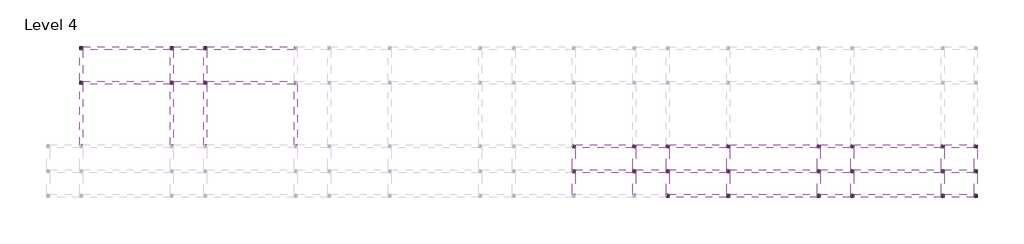
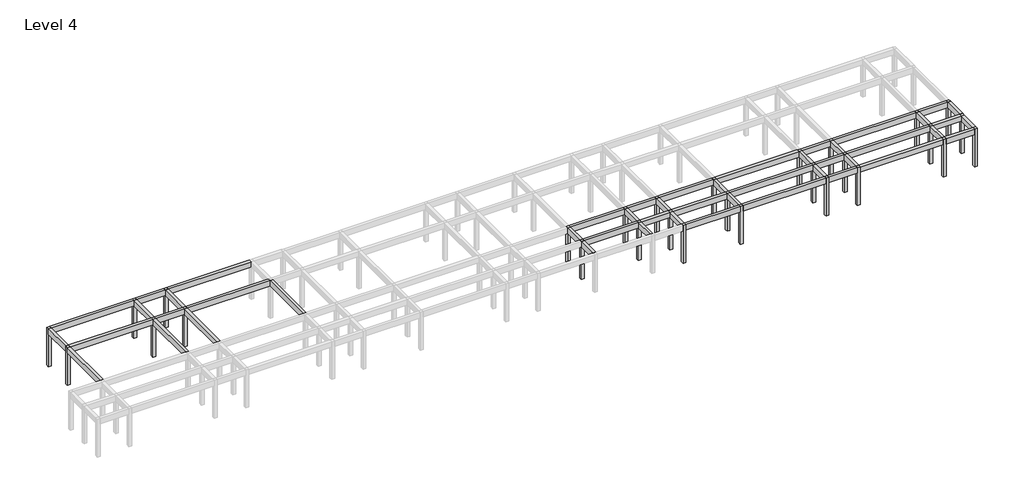
# One storey, part 2 of 3: 48 beams, 28 columns.
"""IFC4 building model written with IfcOpenShell, lengths in millimetres."""

from ifc_helpers import new_model, si_unit, frame, origin, place, context, project, spatial, polyline, outline, extrude, element, save

model = new_model("IFC4")

# Units and contexts
model_context = context("Model", 3, world=origin())
ifc_project = project(units=[si_unit("LENGTHUNIT", "METRE", prefix="MILLI")], contexts=[model_context])

# Site, building, storey
site = spatial("IfcSite", under=ifc_project)
building = spatial("IfcBuilding", under=site)
storey = spatial("IfcBuildingStorey", under=building, Name="Level 4", Elevation=12600.0)

# Beams
placement = place(None, origin())
element("IfcBeam", 1, ObjectType="M_Concrete-Rectangular Beam : 300 x 600mm", at=placement, inside=storey, context=model_context, shape_type="SweptSolid", body=[
    extrude(outline(polyline([(-17004.046467, 5874.2507663), (-16704.046467, 5874.2507663), (-16704.046467, -125.7492337), (-17004.046467, -125.7492337), (-17004.046467, 5874.2507663)])), frame((0.0, 0.0, 16200.0), z_axis=(0.0, 0.0, 1.0), x_axis=(1.0, 0.0, 0.0)), (0.0, 0.0, 1.0), 600.0),
])
element("IfcBeam", 2, ObjectType="M_Concrete-Rectangular Beam : 300 x 600mm", at=placement, inside=storey, context=model_context, shape_type="SweptSolid", body=[
    extrude(outline(polyline([(-17004.046467, 9324.2507663), (-16704.046467, 9324.2507663), (-16704.046467, 6174.2507663), (-17004.046467, 6174.2507663), (-17004.046467, 9324.2507663)])), frame((0.0, 0.0, 16200.0), z_axis=(0.0, 0.0, 1.0), x_axis=(1.0, 0.0, 0.0)), (0.0, 0.0, 1.0), 600.0),
])
element("IfcBeam", 3, ObjectType="M_Concrete-Rectangular Beam : 300 x 600mm", at=placement, inside=storey, context=model_context, shape_type="SweptSolid", body=[
    extrude(outline(polyline([(-8004.046467, 5874.2507663), (-7704.046467, 5874.2507663), (-7704.046467, -125.7492337), (-8004.046467, -125.7492337), (-8004.046467, 5874.2507663)])), frame((0.0, 0.0, 16200.0), z_axis=(0.0, 0.0, 1.0), x_axis=(1.0, 0.0, 0.0)), (0.0, 0.0, 1.0), 600.0),
])
element("IfcBeam", 4, ObjectType="M_Concrete-Rectangular Beam : 300 x 600mm", at=placement, inside=storey, context=model_context, shape_type="SweptSolid", body=[
    extrude(outline(polyline([(-8004.046467, 9324.2507663), (-7704.046467, 9324.2507663), (-7704.046467, 6174.2507663), (-8004.046467, 6174.2507663), (-8004.046467, 9324.2507663)])), frame((0.0, 0.0, 16200.0), z_axis=(0.0, 0.0, 1.0), x_axis=(1.0, 0.0, 0.0)), (0.0, 0.0, 1.0), 600.0),
])
element("IfcBeam", 5, ObjectType="M_Concrete-Rectangular Beam : 300 x 600mm", at=placement, inside=storey, context=model_context, shape_type="SweptSolid", body=[
    extrude(outline(polyline([(-4704.046467, 5874.2507663), (-4404.046467, 5874.2507663), (-4404.046467, -125.7492337), (-4704.046467, -125.7492337), (-4704.046467, 5874.2507663)])), frame((0.0, 0.0, 16200.0), z_axis=(0.0, 0.0, 1.0), x_axis=(1.0, 0.0, 0.0)), (0.0, 0.0, 1.0), 600.0),
])
element("IfcBeam", 6, ObjectType="M_Concrete-Rectangular Beam : 300 x 600mm", at=placement, inside=storey, context=model_context, shape_type="SweptSolid", body=[
    extrude(outline(polyline([(-4704.046467, 9324.2507663), (-4404.046467, 9324.2507663), (-4404.046467, 6174.2507663), (-4704.046467, 6174.2507663), (-4704.046467, 9324.2507663)])), frame((0.0, 0.0, 16200.0), z_axis=(0.0, 0.0, 1.0), x_axis=(1.0, 0.0, 0.0)), (0.0, 0.0, 1.0), 600.0),
])
element("IfcBeam", 7, ObjectType="M_Concrete-Rectangular Beam : 300 x 600mm", at=placement, inside=storey, context=model_context, shape_type="SweptSolid", body=[
    extrude(outline(polyline([(4295.953533, 5874.2507663), (4595.953533, 5874.2507663), (4595.953533, -125.7492337), (4295.953533, -125.7492337), (4295.953533, 5874.2507663)])), frame((0.0, 0.0, 16200.0), z_axis=(0.0, 0.0, 1.0), x_axis=(1.0, 0.0, 0.0)), (0.0, 0.0, 1.0), 600.0),
])
element("IfcBeam", 8, ObjectType="M_Concrete-Rectangular Beam : 300 x 600mm", at=placement, inside=storey, context=model_context, shape_type="SweptSolid", body=[
    extrude(outline(polyline([(31895.953533, -2925.7492337), (32195.953533, -2925.7492337), (32195.953533, -5025.7492337), (31895.953533, -5025.7492337), (31895.953533, -2925.7492337)])), frame((0.0, 0.0, 16200.0), z_axis=(0.0, 0.0, 1.0), x_axis=(1.0, 0.0, 0.0)), (0.0, 0.0, 1.0), 600.0),
])
element("IfcBeam", 9, ObjectType="M_Concrete-Rectangular Beam : 300 x 600mm", at=placement, inside=storey, context=model_context, shape_type="SweptSolid", body=[
    extrude(outline(polyline([(31895.953533, -425.7492337), (32195.953533, -425.7492337), (32195.953533, -2625.7492337), (31895.953533, -2625.7492337), (31895.953533, -425.7492337)])), frame((0.0, 0.0, 16200.0), z_axis=(0.0, 0.0, 1.0), x_axis=(1.0, 0.0, 0.0)), (0.0, 0.0, 1.0), 600.0),
])
element("IfcBeam", 10, ObjectType="M_Concrete-Rectangular Beam : 300 x 600mm", at=placement, inside=storey, context=model_context, shape_type="SweptSolid", body=[
    extrude(outline(polyline([(37895.953533, -2925.7492337), (38195.953533, -2925.7492337), (38195.953533, -5025.7492337), (37895.953533, -5025.7492337), (37895.953533, -2925.7492337)])), frame((0.0, 0.0, 16200.0), z_axis=(0.0, 0.0, 1.0), x_axis=(1.0, 0.0, 0.0)), (0.0, 0.0, 1.0), 600.0),
])
element("IfcBeam", 11, ObjectType="M_Concrete-Rectangular Beam : 300 x 600mm", at=placement, inside=storey, context=model_context, shape_type="SweptSolid", body=[
    extrude(outline(polyline([(37895.953533, -425.7492337), (38195.953533, -425.7492337), (38195.953533, -2625.7492337), (37895.953533, -2625.7492337), (37895.953533, -425.7492337)])), frame((0.0, 0.0, 16200.0), z_axis=(0.0, 0.0, 1.0), x_axis=(1.0, 0.0, 0.0)), (0.0, 0.0, 1.0), 600.0),
])
element("IfcBeam", 12, ObjectType="M_Concrete-Rectangular Beam : 300 x 600mm", at=placement, inside=storey, context=model_context, shape_type="SweptSolid", body=[
    extrude(outline(polyline([(41195.953533, -2925.7492337), (41495.953533, -2925.7492337), (41495.953533, -5025.7492337), (41195.953533, -5025.7492337), (41195.953533, -2925.7492337)])), frame((0.0, 0.0, 16200.0), z_axis=(0.0, 0.0, 1.0), x_axis=(1.0, 0.0, 0.0)), (0.0, 0.0, 1.0), 600.0),
])
element("IfcBeam", 13, ObjectType="M_Concrete-Rectangular Beam : 300 x 600mm", at=placement, inside=storey, context=model_context, shape_type="SweptSolid", body=[
    extrude(outline(polyline([(41195.953533, -425.7492337), (41495.953533, -425.7492337), (41495.953533, -2625.7492337), (41195.953533, -2625.7492337), (41195.953533, -425.7492337)])), frame((0.0, 0.0, 16200.0), z_axis=(0.0, 0.0, 1.0), x_axis=(1.0, 0.0, 0.0)), (0.0, 0.0, 1.0), 600.0),
])
element("IfcBeam", 14, ObjectType="M_Concrete-Rectangular Beam : 300 x 600mm", at=placement, inside=storey, context=model_context, shape_type="SweptSolid", body=[
    extrude(outline(polyline([(47195.953533, -2925.7492337), (47495.953533, -2925.7492337), (47495.953533, -5025.7492337), (47195.953533, -5025.7492337), (47195.953533, -2925.7492337)])), frame((0.0, 0.0, 16200.0), z_axis=(0.0, 0.0, 1.0), x_axis=(1.0, 0.0, 0.0)), (0.0, 0.0, 1.0), 600.0),
])
element("IfcBeam", 15, ObjectType="M_Concrete-Rectangular Beam : 300 x 600mm", at=placement, inside=storey, context=model_context, shape_type="SweptSolid", body=[
    extrude(outline(polyline([(47195.953533, -425.7492337), (47495.953533, -425.7492337), (47495.953533, -2625.7492337), (47195.953533, -2625.7492337), (47195.953533, -425.7492337)])), frame((0.0, 0.0, 16200.0), z_axis=(0.0, 0.0, 1.0), x_axis=(1.0, 0.0, 0.0)), (0.0, 0.0, 1.0), 600.0),
])
element("IfcBeam", 16, ObjectType="M_Concrete-Rectangular Beam : 300 x 600mm", at=placement, inside=storey, context=model_context, shape_type="SweptSolid", body=[
    extrude(outline(polyline([(56195.953533, -2925.7492337), (56495.953533, -2925.7492337), (56495.953533, -5025.7492337), (56195.953533, -5025.7492337), (56195.953533, -2925.7492337)])), frame((0.0, 0.0, 16200.0), z_axis=(0.0, 0.0, 1.0), x_axis=(1.0, 0.0, 0.0)), (0.0, 0.0, 1.0), 600.0),
])
element("IfcBeam", 17, ObjectType="M_Concrete-Rectangular Beam : 300 x 600mm", at=placement, inside=storey, context=model_context, shape_type="SweptSolid", body=[
    extrude(outline(polyline([(56195.953533, -425.7492337), (56495.953533, -425.7492337), (56495.953533, -2625.7492337), (56195.953533, -2625.7492337), (56195.953533, -425.7492337)])), frame((0.0, 0.0, 16200.0), z_axis=(0.0, 0.0, 1.0), x_axis=(1.0, 0.0, 0.0)), (0.0, 0.0, 1.0), 600.0),
])
element("IfcBeam", 18, ObjectType="M_Concrete-Rectangular Beam : 300 x 600mm", at=placement, inside=storey, context=model_context, shape_type="SweptSolid", body=[
    extrude(outline(polyline([(59495.953533, -2925.7492337), (59795.953533, -2925.7492337), (59795.953533, -5025.7492337), (59495.953533, -5025.7492337), (59495.953533, -2925.7492337)])), frame((0.0, 0.0, 16200.0), z_axis=(0.0, 0.0, 1.0), x_axis=(1.0, 0.0, 0.0)), (0.0, 0.0, 1.0), 600.0),
])
element("IfcBeam", 19, ObjectType="M_Concrete-Rectangular Beam : 300 x 600mm", at=placement, inside=storey, context=model_context, shape_type="SweptSolid", body=[
    extrude(outline(polyline([(59495.953533, -425.7492337), (59795.953533, -425.7492337), (59795.953533, -2625.7492337), (59495.953533, -2625.7492337), (59495.953533, -425.7492337)])), frame((0.0, 0.0, 16200.0), z_axis=(0.0, 0.0, 1.0), x_axis=(1.0, 0.0, 0.0)), (0.0, 0.0, 1.0), 600.0),
])
element("IfcBeam", 20, ObjectType="M_Concrete-Rectangular Beam : 300 x 600mm", at=placement, inside=storey, context=model_context, shape_type="SweptSolid", body=[
    extrude(outline(polyline([(68495.953533, -2925.7492337), (68795.953533, -2925.7492337), (68795.953533, -5025.7492337), (68495.953533, -5025.7492337), (68495.953533, -2925.7492337)])), frame((0.0, 0.0, 16200.0), z_axis=(0.0, 0.0, 1.0), x_axis=(1.0, 0.0, 0.0)), (0.0, 0.0, 1.0), 600.0),
])
element("IfcBeam", 21, ObjectType="M_Concrete-Rectangular Beam : 300 x 600mm", at=placement, inside=storey, context=model_context, shape_type="SweptSolid", body=[
    extrude(outline(polyline([(68495.953533, -425.7492337), (68795.953533, -425.7492337), (68795.953533, -2625.7492337), (68495.953533, -2625.7492337), (68495.953533, -425.7492337)])), frame((0.0, 0.0, 16200.0), z_axis=(0.0, 0.0, 1.0), x_axis=(1.0, 0.0, 0.0)), (0.0, 0.0, 1.0), 600.0),
])
element("IfcBeam", 22, ObjectType="M_Concrete-Rectangular Beam : 300 x 600mm", at=placement, inside=storey, context=model_context, shape_type="SweptSolid", body=[
    extrude(outline(polyline([(71795.953533, -2925.7492337), (72095.953533, -2925.7492337), (72095.953533, -5025.7492337), (71795.953533, -5025.7492337), (71795.953533, -2925.7492337)])), frame((0.0, 0.0, 16200.0), z_axis=(0.0, 0.0, 1.0), x_axis=(1.0, 0.0, 0.0)), (0.0, 0.0, 1.0), 600.0),
])
element("IfcBeam", 23, ObjectType="M_Concrete-Rectangular Beam : 300 x 600mm", at=placement, inside=storey, context=model_context, shape_type="SweptSolid", body=[
    extrude(outline(polyline([(71795.953533, -425.7492337), (72095.953533, -425.7492337), (72095.953533, -2625.7492337), (71795.953533, -2625.7492337), (71795.953533, -425.7492337)])), frame((0.0, 0.0, 16200.0), z_axis=(0.0, 0.0, 1.0), x_axis=(1.0, 0.0, 0.0)), (0.0, 0.0, 1.0), 600.0),
])
element("IfcBeam", 24, ObjectType="M_Concrete-Rectangular Beam : 300 x 600mm", at=placement, inside=storey, context=model_context, shape_type="SweptSolid", body=[
    extrude(outline(polyline([(-16704.046467, 9324.2507663), (-16704.046467, 9624.2507663), (-8004.046467, 9624.2507663), (-8004.046467, 9324.2507663), (-16704.046467, 9324.2507663)])), frame((0.0, 0.0, 16200.0), z_axis=(0.0, 0.0, 1.0), x_axis=(1.0, 0.0, 0.0)), (0.0, 0.0, 1.0), 600.0),
])
element("IfcBeam", 25, ObjectType="M_Concrete-Rectangular Beam : 300 x 600mm", at=placement, inside=storey, context=model_context, shape_type="SweptSolid", body=[
    extrude(outline(polyline([(-7704.046467, 9324.2507663), (-7704.046467, 9624.2507663), (-4704.046467, 9624.2507663), (-4704.046467, 9324.2507663), (-7704.046467, 9324.2507663)])), frame((0.0, 0.0, 16200.0), z_axis=(0.0, 0.0, 1.0), x_axis=(1.0, 0.0, 0.0)), (0.0, 0.0, 1.0), 600.0),
])
element("IfcBeam", 26, ObjectType="M_Concrete-Rectangular Beam : 300 x 600mm", at=placement, inside=storey, context=model_context, shape_type="SweptSolid", body=[
    extrude(outline(polyline([(-4404.046467, 9324.2507663), (-4404.046467, 9624.2507663), (4295.953533, 9624.2507663), (4295.953533, 9324.2507663), (-4404.046467, 9324.2507663)])), frame((0.0, 0.0, 16200.0), z_axis=(0.0, 0.0, 1.0), x_axis=(1.0, 0.0, 0.0)), (0.0, 0.0, 1.0), 600.0),
])
element("IfcBeam", 27, ObjectType="M_Concrete-Rectangular Beam : 300 x 600mm", at=placement, inside=storey, context=model_context, shape_type="SweptSolid", body=[
    extrude(outline(polyline([(-16704.046467, 5874.2507663), (-16704.046467, 6174.2507663), (-8004.046467, 6174.2507663), (-8004.046467, 5874.2507663), (-16704.046467, 5874.2507663)])), frame((0.0, 0.0, 16200.0), z_axis=(0.0, 0.0, 1.0), x_axis=(1.0, 0.0, 0.0)), (0.0, 0.0, 1.0), 600.0),
])
element("IfcBeam", 28, ObjectType="M_Concrete-Rectangular Beam : 300 x 600mm", at=placement, inside=storey, context=model_context, shape_type="SweptSolid", body=[
    extrude(outline(polyline([(-7704.046467, 5874.2507663), (-7704.046467, 6174.2507663), (-4704.046467, 6174.2507663), (-4704.046467, 5874.2507663), (-7704.046467, 5874.2507663)])), frame((0.0, 0.0, 16200.0), z_axis=(0.0, 0.0, 1.0), x_axis=(1.0, 0.0, 0.0)), (0.0, 0.0, 1.0), 600.0),
])
element("IfcBeam", 29, ObjectType="M_Concrete-Rectangular Beam : 300 x 600mm", at=placement, inside=storey, context=model_context, shape_type="SweptSolid", body=[
    extrude(outline(polyline([(-4404.046467, 5874.2507663), (-4404.046467, 6174.2507663), (4295.953533, 6174.2507663), (4295.953533, 5874.2507663), (-4404.046467, 5874.2507663)])), frame((0.0, 0.0, 16200.0), z_axis=(0.0, 0.0, 1.0), x_axis=(1.0, 0.0, 0.0)), (0.0, 0.0, 1.0), 600.0),
])
element("IfcBeam", 30, ObjectType="M_Concrete-Rectangular Beam : 300 x 600mm", at=placement, inside=storey, context=model_context, shape_type="SweptSolid", body=[
    extrude(outline(polyline([(32195.953533, -425.7492337), (32195.953533, -125.7492337), (37895.953533, -125.7492337), (37895.953533, -425.7492337), (32195.953533, -425.7492337)])), frame((0.0, 0.0, 16200.0), z_axis=(0.0, 0.0, 1.0), x_axis=(1.0, 0.0, 0.0)), (0.0, 0.0, 1.0), 600.0),
])
element("IfcBeam", 31, ObjectType="M_Concrete-Rectangular Beam : 300 x 600mm", at=placement, inside=storey, context=model_context, shape_type="SweptSolid", body=[
    extrude(outline(polyline([(38195.953533, -425.7492337), (38195.953533, -125.7492337), (41195.953533, -125.7492337), (41195.953533, -425.7492337), (38195.953533, -425.7492337)])), frame((0.0, 0.0, 16200.0), z_axis=(0.0, 0.0, 1.0), x_axis=(1.0, 0.0, 0.0)), (0.0, 0.0, 1.0), 600.0),
])
element("IfcBeam", 32, ObjectType="M_Concrete-Rectangular Beam : 300 x 600mm", at=placement, inside=storey, context=model_context, shape_type="SweptSolid", body=[
    extrude(outline(polyline([(41495.953533, -425.7492337), (41495.953533, -125.7492337), (47195.953533, -125.7492337), (47195.953533, -425.7492337), (41495.953533, -425.7492337)])), frame((0.0, 0.0, 16200.0), z_axis=(0.0, 0.0, 1.0), x_axis=(1.0, 0.0, 0.0)), (0.0, 0.0, 1.0), 600.0),
])
element("IfcBeam", 33, ObjectType="M_Concrete-Rectangular Beam : 300 x 600mm", at=placement, inside=storey, context=model_context, shape_type="SweptSolid", body=[
    extrude(outline(polyline([(47495.953533, -425.7492337), (47495.953533, -125.7492337), (56195.953533, -125.7492337), (56195.953533, -425.7492337), (47495.953533, -425.7492337)])), frame((0.0, 0.0, 16200.0), z_axis=(0.0, 0.0, 1.0), x_axis=(1.0, 0.0, 0.0)), (0.0, 0.0, 1.0), 600.0),
])
element("IfcBeam", 34, ObjectType="M_Concrete-Rectangular Beam : 300 x 600mm", at=placement, inside=storey, context=model_context, shape_type="SweptSolid", body=[
    extrude(outline(polyline([(56495.953533, -425.7492337), (56495.953533, -125.7492337), (59495.953533, -125.7492337), (59495.953533, -425.7492337), (56495.953533, -425.7492337)])), frame((0.0, 0.0, 16200.0), z_axis=(0.0, 0.0, 1.0), x_axis=(1.0, 0.0, 0.0)), (0.0, 0.0, 1.0), 600.0),
])
element("IfcBeam", 35, ObjectType="M_Concrete-Rectangular Beam : 300 x 600mm", at=placement, inside=storey, context=model_context, shape_type="SweptSolid", body=[
    extrude(outline(polyline([(59795.953533, -425.7492337), (59795.953533, -125.7492337), (68495.953533, -125.7492337), (68495.953533, -425.7492337), (59795.953533, -425.7492337)])), frame((0.0, 0.0, 16200.0), z_axis=(0.0, 0.0, 1.0), x_axis=(1.0, 0.0, 0.0)), (0.0, 0.0, 1.0), 600.0),
])
element("IfcBeam", 36, ObjectType="M_Concrete-Rectangular Beam : 300 x 600mm", at=placement, inside=storey, context=model_context, shape_type="SweptSolid", body=[
    extrude(outline(polyline([(68795.953533, -425.7492337), (68795.953533, -125.7492337), (71795.953533, -125.7492337), (71795.953533, -425.7492337), (68795.953533, -425.7492337)])), frame((0.0, 0.0, 16200.0), z_axis=(0.0, 0.0, 1.0), x_axis=(1.0, 0.0, 0.0)), (0.0, 0.0, 1.0), 600.0),
])
element("IfcBeam", 37, ObjectType="M_Concrete-Rectangular Beam : 300 x 600mm", at=placement, inside=storey, context=model_context, shape_type="SweptSolid", body=[
    extrude(outline(polyline([(32195.953533, -2925.7492337), (32195.953533, -2625.7492337), (37895.953533, -2625.7492337), (37895.953533, -2925.7492337), (32195.953533, -2925.7492337)])), frame((0.0, 0.0, 16200.0), z_axis=(0.0, 0.0, 1.0), x_axis=(1.0, 0.0, 0.0)), (0.0, 0.0, 1.0), 600.0),
])
element("IfcBeam", 38, ObjectType="M_Concrete-Rectangular Beam : 300 x 600mm", at=placement, inside=storey, context=model_context, shape_type="SweptSolid", body=[
    extrude(outline(polyline([(38195.953533, -2925.7492337), (38195.953533, -2625.7492337), (41195.953533, -2625.7492337), (41195.953533, -2925.7492337), (38195.953533, -2925.7492337)])), frame((0.0, 0.0, 16200.0), z_axis=(0.0, 0.0, 1.0), x_axis=(1.0, 0.0, 0.0)), (0.0, 0.0, 1.0), 600.0),
])
element("IfcBeam", 39, ObjectType="M_Concrete-Rectangular Beam : 300 x 600mm", at=placement, inside=storey, context=model_context, shape_type="SweptSolid", body=[
    extrude(outline(polyline([(41495.953533, -2925.7492337), (41495.953533, -2625.7492337), (47195.953533, -2625.7492337), (47195.953533, -2925.7492337), (41495.953533, -2925.7492337)])), frame((0.0, 0.0, 16200.0), z_axis=(0.0, 0.0, 1.0), x_axis=(1.0, 0.0, 0.0)), (0.0, 0.0, 1.0), 600.0),
])
element("IfcBeam", 40, ObjectType="M_Concrete-Rectangular Beam : 300 x 600mm", at=placement, inside=storey, context=model_context, shape_type="SweptSolid", body=[
    extrude(outline(polyline([(47495.953533, -2925.7492337), (47495.953533, -2625.7492337), (56195.953533, -2625.7492337), (56195.953533, -2925.7492337), (47495.953533, -2925.7492337)])), frame((0.0, 0.0, 16200.0), z_axis=(0.0, 0.0, 1.0), x_axis=(1.0, 0.0, 0.0)), (0.0, 0.0, 1.0), 600.0),
])
element("IfcBeam", 41, ObjectType="M_Concrete-Rectangular Beam : 300 x 600mm", at=placement, inside=storey, context=model_context, shape_type="SweptSolid", body=[
    extrude(outline(polyline([(56495.953533, -2925.7492337), (56495.953533, -2625.7492337), (59495.953533, -2625.7492337), (59495.953533, -2925.7492337), (56495.953533, -2925.7492337)])), frame((0.0, 0.0, 16200.0), z_axis=(0.0, 0.0, 1.0), x_axis=(1.0, 0.0, 0.0)), (0.0, 0.0, 1.0), 600.0),
])
element("IfcBeam", 42, ObjectType="M_Concrete-Rectangular Beam : 300 x 600mm", at=placement, inside=storey, context=model_context, shape_type="SweptSolid", body=[
    extrude(outline(polyline([(59795.953533, -2925.7492337), (59795.953533, -2625.7492337), (68495.953533, -2625.7492337), (68495.953533, -2925.7492337), (59795.953533, -2925.7492337)])), frame((0.0, 0.0, 16200.0), z_axis=(0.0, 0.0, 1.0), x_axis=(1.0, 0.0, 0.0)), (0.0, 0.0, 1.0), 600.0),
])
element("IfcBeam", 43, ObjectType="M_Concrete-Rectangular Beam : 300 x 600mm", at=placement, inside=storey, context=model_context, shape_type="SweptSolid", body=[
    extrude(outline(polyline([(68795.953533, -2925.7492337), (68795.953533, -2625.7492337), (71795.953533, -2625.7492337), (71795.953533, -2925.7492337), (68795.953533, -2925.7492337)])), frame((0.0, 0.0, 16200.0), z_axis=(0.0, 0.0, 1.0), x_axis=(1.0, 0.0, 0.0)), (0.0, 0.0, 1.0), 600.0),
])
element("IfcBeam", 44, ObjectType="M_Concrete-Rectangular Beam : 300 x 600mm", at=placement, inside=storey, context=model_context, shape_type="SweptSolid", body=[
    extrude(outline(polyline([(41495.953533, -5325.7492337), (41495.953533, -5025.7492337), (47195.953533, -5025.7492337), (47195.953533, -5325.7492337), (41495.953533, -5325.7492337)])), frame((0.0, 0.0, 16200.0), z_axis=(0.0, 0.0, 1.0), x_axis=(1.0, 0.0, 0.0)), (0.0, 0.0, 1.0), 600.0),
])
element("IfcBeam", 45, ObjectType="M_Concrete-Rectangular Beam : 300 x 600mm", at=placement, inside=storey, context=model_context, shape_type="SweptSolid", body=[
    extrude(outline(polyline([(47495.953533, -5325.7492337), (47495.953533, -5025.7492337), (56195.953533, -5025.7492337), (56195.953533, -5325.7492337), (47495.953533, -5325.7492337)])), frame((0.0, 0.0, 16200.0), z_axis=(0.0, 0.0, 1.0), x_axis=(1.0, 0.0, 0.0)), (0.0, 0.0, 1.0), 600.0),
])
element("IfcBeam", 46, ObjectType="M_Concrete-Rectangular Beam : 300 x 600mm", at=placement, inside=storey, context=model_context, shape_type="SweptSolid", body=[
    extrude(outline(polyline([(56495.953533, -5325.7492337), (56495.953533, -5025.7492337), (59495.953533, -5025.7492337), (59495.953533, -5325.7492337), (56495.953533, -5325.7492337)])), frame((0.0, 0.0, 16200.0), z_axis=(0.0, 0.0, 1.0), x_axis=(1.0, 0.0, 0.0)), (0.0, 0.0, 1.0), 600.0),
])
element("IfcBeam", 47, ObjectType="M_Concrete-Rectangular Beam : 300 x 600mm", at=placement, inside=storey, context=model_context, shape_type="SweptSolid", body=[
    extrude(outline(polyline([(59795.953533, -5325.7492337), (59795.953533, -5025.7492337), (68495.953533, -5025.7492337), (68495.953533, -5325.7492337), (59795.953533, -5325.7492337)])), frame((0.0, 0.0, 16200.0), z_axis=(0.0, 0.0, 1.0), x_axis=(1.0, 0.0, 0.0)), (0.0, 0.0, 1.0), 600.0),
])
element("IfcBeam", 48, ObjectType="M_Concrete-Rectangular Beam : 300 x 600mm", at=placement, inside=storey, context=model_context, shape_type="SweptSolid", body=[
    extrude(outline(polyline([(68795.953533, -5325.7492337), (68795.953533, -5025.7492337), (71795.953533, -5025.7492337), (71795.953533, -5325.7492337), (68795.953533, -5325.7492337)])), frame((0.0, 0.0, 16200.0), z_axis=(0.0, 0.0, 1.0), x_axis=(1.0, 0.0, 0.0)), (0.0, 0.0, 1.0), 600.0),
])

# Columns
element("IfcColumn", 49, ObjectType="M_Concrete-Square-Column : 300 x 300mm", at=placement, inside=storey, context=model_context, shape_type="SweptSolid", body=[
    extrude(outline(polyline([(-16704.046467, 9624.2507663), (-16704.046467, 9324.2507663), (-17004.046467, 9324.2507663), (-17004.046467, 9624.2507663), (-16704.046467, 9624.2507663)])), frame((0.0, 0.0, 12600.0), z_axis=(0.0, 0.0, 1.0), x_axis=(1.0, 0.0, 0.0)), (0.0, 0.0, 1.0), 4200.0),
])
element("IfcColumn", 50, ObjectType="M_Concrete-Square-Column : 300 x 300mm", at=placement, inside=storey, context=model_context, shape_type="SweptSolid", body=[
    extrude(outline(polyline([(-16704.046467, 6174.2507663), (-16704.046467, 5874.2507663), (-17004.046467, 5874.2507663), (-17004.046467, 6174.2507663), (-16704.046467, 6174.2507663)])), frame((0.0, 0.0, 12600.0), z_axis=(0.0, 0.0, 1.0), x_axis=(1.0, 0.0, 0.0)), (0.0, 0.0, 1.0), 4200.0),
])
element("IfcColumn", 51, ObjectType="M_Concrete-Square-Column : 300 x 300mm", at=placement, inside=storey, context=model_context, shape_type="SweptSolid", body=[
    extrude(outline(polyline([(-7704.046467, 9624.2507663), (-7704.046467, 9324.2507663), (-8004.046467, 9324.2507663), (-8004.046467, 9624.2507663), (-7704.046467, 9624.2507663)])), frame((0.0, 0.0, 12600.0), z_axis=(0.0, 0.0, 1.0), x_axis=(1.0, 0.0, 0.0)), (0.0, 0.0, 1.0), 4200.0),
])
element("IfcColumn", 52, ObjectType="M_Concrete-Square-Column : 300 x 300mm", at=placement, inside=storey, context=model_context, shape_type="SweptSolid", body=[
    extrude(outline(polyline([(-7704.046467, 6174.2507663), (-7704.046467, 5874.2507663), (-8004.046467, 5874.2507663), (-8004.046467, 6174.2507663), (-7704.046467, 6174.2507663)])), frame((0.0, 0.0, 12600.0), z_axis=(0.0, 0.0, 1.0), x_axis=(1.0, 0.0, 0.0)), (0.0, 0.0, 1.0), 4200.0),
])
element("IfcColumn", 53, ObjectType="M_Concrete-Square-Column : 300 x 300mm", at=placement, inside=storey, context=model_context, shape_type="SweptSolid", body=[
    extrude(outline(polyline([(-4404.046467, 9624.2507663), (-4404.046467, 9324.2507663), (-4704.046467, 9324.2507663), (-4704.046467, 9624.2507663), (-4404.046467, 9624.2507663)])), frame((0.0, 0.0, 12600.0), z_axis=(0.0, 0.0, 1.0), x_axis=(1.0, 0.0, 0.0)), (0.0, 0.0, 1.0), 4200.0),
])
element("IfcColumn", 54, ObjectType="M_Concrete-Square-Column : 300 x 300mm", at=placement, inside=storey, context=model_context, shape_type="SweptSolid", body=[
    extrude(outline(polyline([(-4404.046467, 6174.2507663), (-4404.046467, 5874.2507663), (-4704.046467, 5874.2507663), (-4704.046467, 6174.2507663), (-4404.046467, 6174.2507663)])), frame((0.0, 0.0, 12600.0), z_axis=(0.0, 0.0, 1.0), x_axis=(1.0, 0.0, 0.0)), (0.0, 0.0, 1.0), 4200.0),
])
element("IfcColumn", 55, ObjectType="M_Concrete-Square-Column : 300 x 300mm", at=placement, inside=storey, context=model_context, shape_type="SweptSolid", body=[
    extrude(outline(polyline([(32195.953533, -125.7492337), (32195.953533, -425.7492337), (31895.953533, -425.7492337), (31895.953533, -125.7492337), (32195.953533, -125.7492337)])), frame((0.0, 0.0, 12600.0), z_axis=(0.0, 0.0, 1.0), x_axis=(1.0, 0.0, 0.0)), (0.0, 0.0, 1.0), 4200.0),
])
element("IfcColumn", 56, ObjectType="M_Concrete-Square-Column : 300 x 300mm", at=placement, inside=storey, context=model_context, shape_type="SweptSolid", body=[
    extrude(outline(polyline([(32195.953533, -2625.7492337), (32195.953533, -2925.7492337), (31895.953533, -2925.7492337), (31895.953533, -2625.7492337), (32195.953533, -2625.7492337)])), frame((0.0, 0.0, 12600.0), z_axis=(0.0, 0.0, 1.0), x_axis=(1.0, 0.0, 0.0)), (0.0, 0.0, 1.0), 4200.0),
])
element("IfcColumn", 57, ObjectType="M_Concrete-Square-Column : 300 x 300mm", at=placement, inside=storey, context=model_context, shape_type="SweptSolid", body=[
    extrude(outline(polyline([(38195.953533, -125.7492337), (38195.953533, -425.7492337), (37895.953533, -425.7492337), (37895.953533, -125.7492337), (38195.953533, -125.7492337)])), frame((0.0, 0.0, 12600.0), z_axis=(0.0, 0.0, 1.0), x_axis=(1.0, 0.0, 0.0)), (0.0, 0.0, 1.0), 4200.0),
])
element("IfcColumn", 58, ObjectType="M_Concrete-Square-Column : 300 x 300mm", at=placement, inside=storey, context=model_context, shape_type="SweptSolid", body=[
    extrude(outline(polyline([(38195.953533, -2625.7492337), (38195.953533, -2925.7492337), (37895.953533, -2925.7492337), (37895.953533, -2625.7492337), (38195.953533, -2625.7492337)])), frame((0.0, 0.0, 12600.0), z_axis=(0.0, 0.0, 1.0), x_axis=(1.0, 0.0, 0.0)), (0.0, 0.0, 1.0), 4200.0),
])
element("IfcColumn", 59, ObjectType="M_Concrete-Square-Column : 300 x 300mm", at=placement, inside=storey, context=model_context, shape_type="SweptSolid", body=[
    extrude(outline(polyline([(41495.953533, -125.7492337), (41495.953533, -425.7492337), (41195.953533, -425.7492337), (41195.953533, -125.7492337), (41495.953533, -125.7492337)])), frame((0.0, 0.0, 12600.0), z_axis=(0.0, 0.0, 1.0), x_axis=(1.0, 0.0, 0.0)), (0.0, 0.0, 1.0), 4200.0),
])
element("IfcColumn", 60, ObjectType="M_Concrete-Square-Column : 300 x 300mm", at=placement, inside=storey, context=model_context, shape_type="SweptSolid", body=[
    extrude(outline(polyline([(41495.953533, -2625.7492337), (41495.953533, -2925.7492337), (41195.953533, -2925.7492337), (41195.953533, -2625.7492337), (41495.953533, -2625.7492337)])), frame((0.0, 0.0, 12600.0), z_axis=(0.0, 0.0, 1.0), x_axis=(1.0, 0.0, 0.0)), (0.0, 0.0, 1.0), 4200.0),
])
element("IfcColumn", 61, ObjectType="M_Concrete-Square-Column : 300 x 300mm", at=placement, inside=storey, context=model_context, shape_type="SweptSolid", body=[
    extrude(outline(polyline([(41495.953533, -5025.7492337), (41495.953533, -5325.7492337), (41195.953533, -5325.7492337), (41195.953533, -5025.7492337), (41495.953533, -5025.7492337)])), frame((0.0, 0.0, 12600.0), z_axis=(0.0, 0.0, 1.0), x_axis=(1.0, 0.0, 0.0)), (0.0, 0.0, 1.0), 4200.0),
])
element("IfcColumn", 62, ObjectType="M_Concrete-Square-Column : 300 x 300mm", at=placement, inside=storey, context=model_context, shape_type="SweptSolid", body=[
    extrude(outline(polyline([(47495.953533, -125.7492337), (47495.953533, -425.7492337), (47195.953533, -425.7492337), (47195.953533, -125.7492337), (47495.953533, -125.7492337)])), frame((0.0, 0.0, 12600.0), z_axis=(0.0, 0.0, 1.0), x_axis=(1.0, 0.0, 0.0)), (0.0, 0.0, 1.0), 4200.0),
])
element("IfcColumn", 63, ObjectType="M_Concrete-Square-Column : 300 x 300mm", at=placement, inside=storey, context=model_context, shape_type="SweptSolid", body=[
    extrude(outline(polyline([(47495.953533, -2625.7492337), (47495.953533, -2925.7492337), (47195.953533, -2925.7492337), (47195.953533, -2625.7492337), (47495.953533, -2625.7492337)])), frame((0.0, 0.0, 12600.0), z_axis=(0.0, 0.0, 1.0), x_axis=(1.0, 0.0, 0.0)), (0.0, 0.0, 1.0), 4200.0),
])
element("IfcColumn", 64, ObjectType="M_Concrete-Square-Column : 300 x 300mm", at=placement, inside=storey, context=model_context, shape_type="SweptSolid", body=[
    extrude(outline(polyline([(47495.953533, -5025.7492337), (47495.953533, -5325.7492337), (47195.953533, -5325.7492337), (47195.953533, -5025.7492337), (47495.953533, -5025.7492337)])), frame((0.0, 0.0, 12600.0), z_axis=(0.0, 0.0, 1.0), x_axis=(1.0, 0.0, 0.0)), (0.0, 0.0, 1.0), 4200.0),
])
element("IfcColumn", 65, ObjectType="M_Concrete-Square-Column : 300 x 300mm", at=placement, inside=storey, context=model_context, shape_type="SweptSolid", body=[
    extrude(outline(polyline([(56495.953533, -125.7492337), (56495.953533, -425.7492337), (56195.953533, -425.7492337), (56195.953533, -125.7492337), (56495.953533, -125.7492337)])), frame((0.0, 0.0, 12600.0), z_axis=(0.0, 0.0, 1.0), x_axis=(1.0, 0.0, 0.0)), (0.0, 0.0, 1.0), 4200.0),
])
element("IfcColumn", 66, ObjectType="M_Concrete-Square-Column : 300 x 300mm", at=placement, inside=storey, context=model_context, shape_type="SweptSolid", body=[
    extrude(outline(polyline([(56495.953533, -2625.7492337), (56495.953533, -2925.7492337), (56195.953533, -2925.7492337), (56195.953533, -2625.7492337), (56495.953533, -2625.7492337)])), frame((0.0, 0.0, 12600.0), z_axis=(0.0, 0.0, 1.0), x_axis=(1.0, 0.0, 0.0)), (0.0, 0.0, 1.0), 4200.0),
])
element("IfcColumn", 67, ObjectType="M_Concrete-Square-Column : 300 x 300mm", at=placement, inside=storey, context=model_context, shape_type="SweptSolid", body=[
    extrude(outline(polyline([(56495.953533, -5025.7492337), (56495.953533, -5325.7492337), (56195.953533, -5325.7492337), (56195.953533, -5025.7492337), (56495.953533, -5025.7492337)])), frame((0.0, 0.0, 12600.0), z_axis=(0.0, 0.0, 1.0), x_axis=(1.0, 0.0, 0.0)), (0.0, 0.0, 1.0), 4200.0),
])
element("IfcColumn", 68, ObjectType="M_Concrete-Square-Column : 300 x 300mm", at=placement, inside=storey, context=model_context, shape_type="SweptSolid", body=[
    extrude(outline(polyline([(59795.953533, -125.7492337), (59795.953533, -425.7492337), (59495.953533, -425.7492337), (59495.953533, -125.7492337), (59795.953533, -125.7492337)])), frame((0.0, 0.0, 12600.0), z_axis=(0.0, 0.0, 1.0), x_axis=(1.0, 0.0, 0.0)), (0.0, 0.0, 1.0), 4200.0),
])
element("IfcColumn", 69, ObjectType="M_Concrete-Square-Column : 300 x 300mm", at=placement, inside=storey, context=model_context, shape_type="SweptSolid", body=[
    extrude(outline(polyline([(59795.953533, -2625.7492337), (59795.953533, -2925.7492337), (59495.953533, -2925.7492337), (59495.953533, -2625.7492337), (59795.953533, -2625.7492337)])), frame((0.0, 0.0, 12600.0), z_axis=(0.0, 0.0, 1.0), x_axis=(1.0, 0.0, 0.0)), (0.0, 0.0, 1.0), 4200.0),
])
element("IfcColumn", 70, ObjectType="M_Concrete-Square-Column : 300 x 300mm", at=placement, inside=storey, context=model_context, shape_type="SweptSolid", body=[
    extrude(outline(polyline([(59795.953533, -5025.7492337), (59795.953533, -5325.7492337), (59495.953533, -5325.7492337), (59495.953533, -5025.7492337), (59795.953533, -5025.7492337)])), frame((0.0, 0.0, 12600.0), z_axis=(0.0, 0.0, 1.0), x_axis=(1.0, 0.0, 0.0)), (0.0, 0.0, 1.0), 4200.0),
])
element("IfcColumn", 71, ObjectType="M_Concrete-Square-Column : 300 x 300mm", at=placement, inside=storey, context=model_context, shape_type="SweptSolid", body=[
    extrude(outline(polyline([(68795.953533, -125.7492337), (68795.953533, -425.7492337), (68495.953533, -425.7492337), (68495.953533, -125.7492337), (68795.953533, -125.7492337)])), frame((0.0, 0.0, 12600.0), z_axis=(0.0, 0.0, 1.0), x_axis=(1.0, 0.0, 0.0)), (0.0, 0.0, 1.0), 4200.0),
])
element("IfcColumn", 72, ObjectType="M_Concrete-Square-Column : 300 x 300mm", at=placement, inside=storey, context=model_context, shape_type="SweptSolid", body=[
    extrude(outline(polyline([(68795.953533, -2625.7492337), (68795.953533, -2925.7492337), (68495.953533, -2925.7492337), (68495.953533, -2625.7492337), (68795.953533, -2625.7492337)])), frame((0.0, 0.0, 12600.0), z_axis=(0.0, 0.0, 1.0), x_axis=(1.0, 0.0, 0.0)), (0.0, 0.0, 1.0), 4200.0),
])
element("IfcColumn", 73, ObjectType="M_Concrete-Square-Column : 300 x 300mm", at=placement, inside=storey, context=model_context, shape_type="SweptSolid", body=[
    extrude(outline(polyline([(68795.953533, -5025.7492337), (68795.953533, -5325.7492337), (68495.953533, -5325.7492337), (68495.953533, -5025.7492337), (68795.953533, -5025.7492337)])), frame((0.0, 0.0, 12600.0), z_axis=(0.0, 0.0, 1.0), x_axis=(1.0, 0.0, 0.0)), (0.0, 0.0, 1.0), 4200.0),
])
element("IfcColumn", 74, ObjectType="M_Concrete-Square-Column : 300 x 300mm", at=placement, inside=storey, context=model_context, shape_type="SweptSolid", body=[
    extrude(outline(polyline([(72095.953533, -125.7492337), (72095.953533, -425.7492337), (71795.953533, -425.7492337), (71795.953533, -125.7492337), (72095.953533, -125.7492337)])), frame((0.0, 0.0, 12600.0), z_axis=(0.0, 0.0, 1.0), x_axis=(1.0, 0.0, 0.0)), (0.0, 0.0, 1.0), 4200.0),
])
element("IfcColumn", 75, ObjectType="M_Concrete-Square-Column : 300 x 300mm", at=placement, inside=storey, context=model_context, shape_type="SweptSolid", body=[
    extrude(outline(polyline([(72095.953533, -2625.7492337), (72095.953533, -2925.7492337), (71795.953533, -2925.7492337), (71795.953533, -2625.7492337), (72095.953533, -2625.7492337)])), frame((0.0, 0.0, 12600.0), z_axis=(0.0, 0.0, 1.0), x_axis=(1.0, 0.0, 0.0)), (0.0, 0.0, 1.0), 4200.0),
])
element("IfcColumn", 76, ObjectType="M_Concrete-Square-Column : 300 x 300mm", at=placement, inside=storey, context=model_context, shape_type="SweptSolid", body=[
    extrude(outline(polyline([(72095.953533, -5025.7492337), (72095.953533, -5325.7492337), (71795.953533, -5325.7492337), (71795.953533, -5025.7492337), (72095.953533, -5025.7492337)])), frame((0.0, 0.0, 12600.0), z_axis=(0.0, 0.0, 1.0), x_axis=(1.0, 0.0, 0.0)), (0.0, 0.0, 1.0), 4200.0),
])

save(model, "model.ifc")
